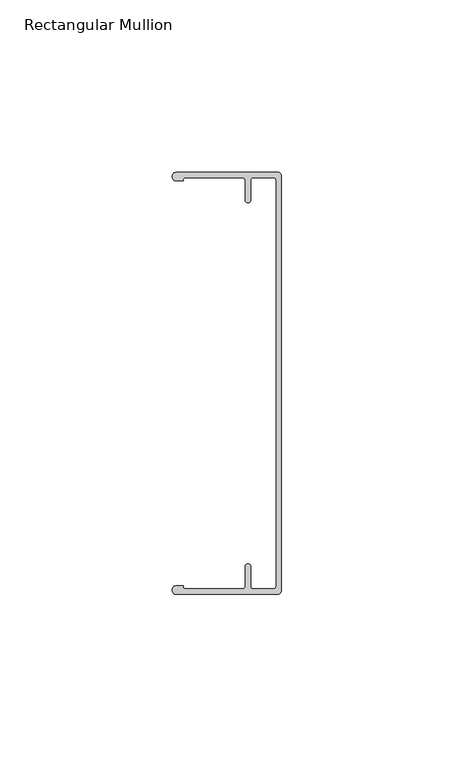
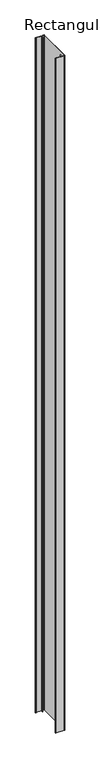
"""IFC4 building model written with IfcOpenShell, lengths in millimetres: member geometry, Rectangular Mullion."""

from ifc_helpers import new_model, si_unit, point, frame, frame_2d, origin, place, context, project, spatial, polyline, circle_curve, trimmed, segment, composite_curve, outline, extrude, source, transform, mapped, element, save


def rectangular_mullion_2e6cc58c(model_context):
    return source(origin(), model_context, "Body", "SweptSolid", [
        extrude(outline(composite_curve([segment(trimmed(circle_curve(frame_2d((-1.27, -60.0471875)), 1.27), [point((0.0, -60.0471875))], [point((-1.27, -61.3171875))], False, "CARTESIAN"), True, "CONTINUOUS"), segment(polyline([(-1.27, -61.3171875), (-30.48, -61.3171875)]), True, "CONTINUOUS"), segment(trimmed(circle_curve(frame_2d((-30.48, -60.0471875)), 1.27), [point((-30.48, -61.3171875))], [point((-30.48, -58.7771875))], False, "CARTESIAN"), True, "CONTINUOUS"), segment(polyline([(-30.48, -58.7771875), (-28.575, -58.7771875)]), True, "CONTINUOUS"), segment(trimmed(circle_curve(frame_2d((-27.7819543, -58.9340055)), 0.8084017), [point((-28.575, -58.7771875))], [point((-27.7876, -59.7423875))], True, "CARTESIAN"), True, "CONTINUOUS"), segment(polyline([(-27.7876, -59.7423875), (-11.3284, -59.7423875)]), True, "CONTINUOUS"), segment(trimmed(circle_curve(frame_2d((-11.3284, -58.9549875)), 0.7874), [point((-11.3284, -59.7423875))], [point((-10.541, -58.9549875))], True, "CARTESIAN"), True, "CONTINUOUS"), segment(polyline([(-10.541, -58.9549875), (-10.541, -53.2145875)]), True, "CONTINUOUS"), segment(trimmed(circle_curve(frame_2d((-9.7536, -53.2145875)), 0.7874), [point((-10.541, -53.2145875))], [point((-8.9662, -53.2145875))], False, "CARTESIAN"), True, "CONTINUOUS"), segment(polyline([(-8.9662, -53.2145875), (-8.9662, -58.9549875)]), True, "CONTINUOUS"), segment(trimmed(circle_curve(frame_2d((-8.1788, -58.9549875)), 0.7874), [point((-8.9662, -58.9549875))], [point((-8.1788, -59.7423875))], True, "CARTESIAN"), True, "CONTINUOUS"), segment(polyline([(-8.1788, -59.7423875), (-2.3622, -59.7423875)]), True, "CONTINUOUS"), segment(trimmed(circle_curve(frame_2d((-2.3622, -58.9549875)), 0.7874), [point((-2.3622, -59.7423875))], [point((-1.5748, -58.9549875))], True, "CARTESIAN"), True, "CONTINUOUS"), segment(polyline([(-1.5748, -58.9549875), (-1.5748, 58.9549875)]), True, "CONTINUOUS"), segment(trimmed(circle_curve(frame_2d((-2.3622, 58.9549875)), 0.7874), [point((-1.5748, 58.9549875))], [point((-2.3622, 59.7423875))], True, "CARTESIAN"), True, "CONTINUOUS"), segment(polyline([(-2.3622, 59.7423875), (-8.1788, 59.7423875)]), True, "CONTINUOUS"), segment(trimmed(circle_curve(frame_2d((-8.1788, 58.9549875)), 0.7874), [point((-8.1788, 59.7423875))], [point((-8.9662, 58.9549875))], True, "CARTESIAN"), True, "CONTINUOUS"), segment(polyline([(-8.9662, 58.9549875), (-8.9662, 53.2145875)]), True, "CONTINUOUS"), segment(trimmed(circle_curve(frame_2d((-9.7536, 53.2145875)), 0.7874), [point((-8.9662, 53.2145875))], [point((-10.541, 53.2145875))], False, "CARTESIAN"), True, "CONTINUOUS"), segment(polyline([(-10.541, 53.2145875), (-10.541, 58.9549875)]), True, "CONTINUOUS"), segment(trimmed(circle_curve(frame_2d((-11.3284, 58.9549875)), 0.7874), [point((-10.541, 58.9549875))], [point((-11.3284, 59.7423875))], True, "CARTESIAN"), True, "CONTINUOUS"), segment(polyline([(-11.3284, 59.7423875), (-27.7876, 59.7423875)]), True, "CONTINUOUS"), segment(trimmed(circle_curve(frame_2d((-27.7773547, 58.9302532)), 0.8121989), [point((-27.7876, 59.7423875))], [point((-28.575, 58.7771875))], True, "CARTESIAN"), True, "CONTINUOUS"), segment(polyline([(-28.575, 58.7771875), (-30.48, 58.7771875)]), True, "CONTINUOUS"), segment(trimmed(circle_curve(frame_2d((-30.48, 60.0471875)), 1.27), [point((-30.48, 58.7771875))], [point((-30.48, 61.3171875))], False, "CARTESIAN"), True, "CONTINUOUS"), segment(polyline([(-30.48, 61.3171875), (-1.27, 61.3171875)]), True, "CONTINUOUS"), segment(trimmed(circle_curve(frame_2d((-1.27, 60.0471875)), 1.27), [point((-1.27, 61.3171875))], [point((0.0, 60.0471875))], False, "CARTESIAN"), True, "CONTINUOUS"), segment(polyline([(0.0, 60.0471875), (0.0, -60.0471875)]), True, "CONTINUOUS")], self_intersect=False)), frame((0.0, 0.0, -2438.4), z_axis=(0.0, 0.0, 1.0), x_axis=(1.0, 0.0, 0.0)), (0.0, 0.0, 1.0), 2438.4),
    ])


if __name__ == "__main__":
    model = new_model("IFC4")
    model_context = context("Model", 3, world=origin())
    ifc_project = project(units=[si_unit("LENGTHUNIT", "METRE", prefix="MILLI")], contexts=[model_context])
    site = spatial("IfcSite", under=ifc_project)
    building = spatial("IfcBuilding", under=site)
    placement = place(None, origin())
    rectangular_mullion_shape = rectangular_mullion_2e6cc58c(model_context)
    element("IfcMember", 1, ObjectType="Rectangular Mullion", at=placement, inside=building, context=model_context, shape_type="MappedRepresentation", body=[
        mapped(rectangular_mullion_shape, transform((0.0, 0.0, 0.0), x_axis=(1.0, 0.0, 0.0), y_axis=(0.0, 1.0, 0.0), z_axis=(0.0, 0.0, 1.0))),
    ])
    save(model, "model.ifc")
